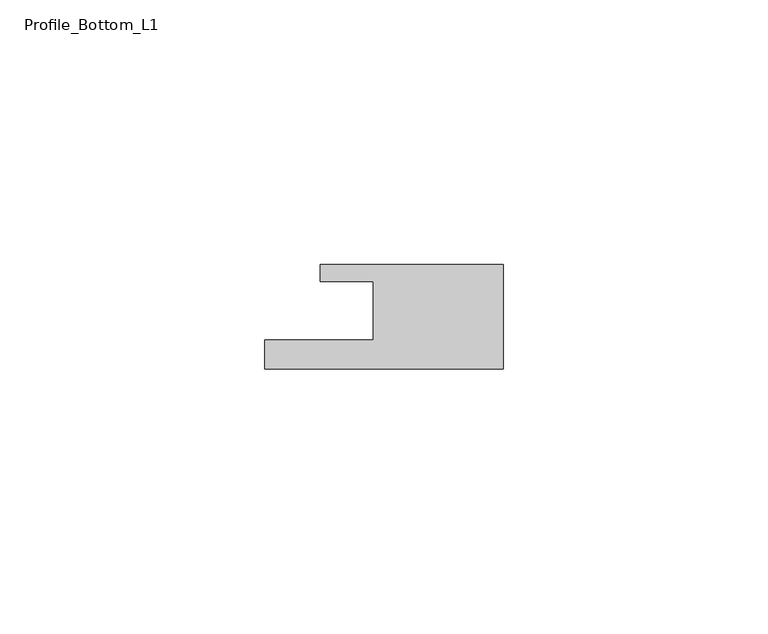
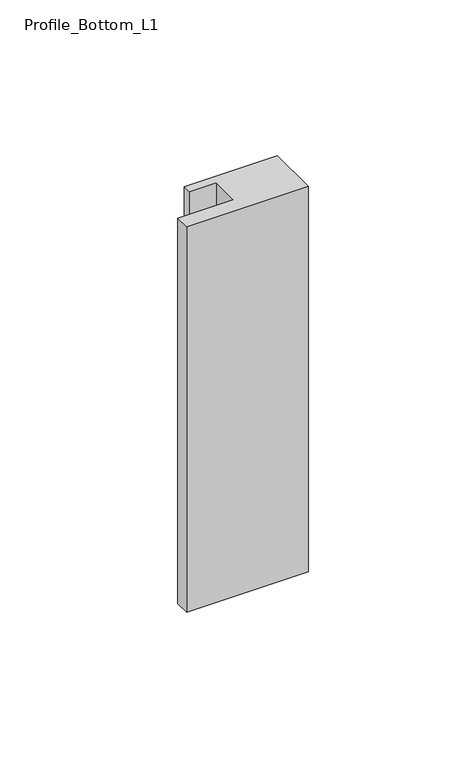
"""IFC4 building model written with IfcOpenShell, lengths in millimetres: member geometry, Profile_Bottom_L1."""

from ifc_helpers import new_model, si_unit, frame, origin, place, context, project, spatial, polyline, outline, extrude, source, transform, mapped, element, save


def profile_bottom_l1_a27e8cc4(model_context):
    return source(origin(), model_context, "Body", "SweptSolid", [
        extrude(outline(polyline([(-45.0, -5.5), (-24.5, -5.5), (-24.5, 5.5), (-34.5, 5.5), (-34.5, 8.7), (0.0, 8.7), (0.0, -11.0), (-45.0, -11.0), (-45.0, -5.5)])), frame((0.0, 0.0, -151.0), z_axis=(0.0, 0.0, 1.0), x_axis=(1.0, 0.0, 0.0)), (0.0, 0.0, 1.0), 151.0),
    ])


if __name__ == "__main__":
    model = new_model("IFC4")
    model_context = context("Model", 3, world=origin())
    ifc_project = project(units=[si_unit("LENGTHUNIT", "METRE", prefix="MILLI")], contexts=[model_context])
    site = spatial("IfcSite", under=ifc_project)
    building = spatial("IfcBuilding", under=site)
    placement = place(None, origin())
    profile_bottom_l1_shape = profile_bottom_l1_a27e8cc4(model_context)
    element("IfcMember", 1, ObjectType="Profile_Bottom_L1", at=placement, inside=building, context=model_context, shape_type="MappedRepresentation", body=[
        mapped(profile_bottom_l1_shape, transform((0.0, 0.0, 0.0), x_axis=(1.0, 0.0, 0.0), y_axis=(0.0, 1.0, 0.0), z_axis=(0.0, 0.0, 1.0))),
    ])
    save(model, "model.ifc")
